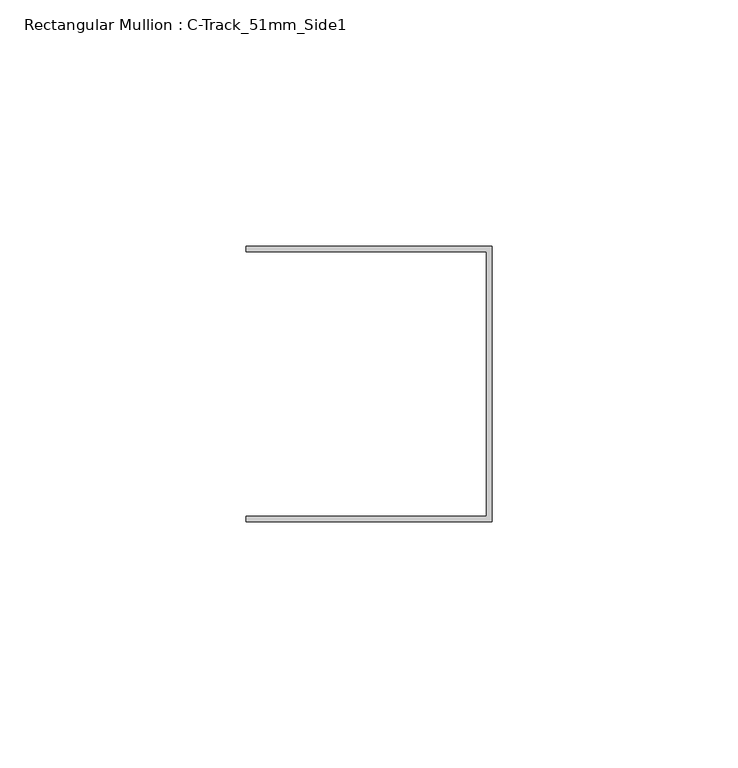
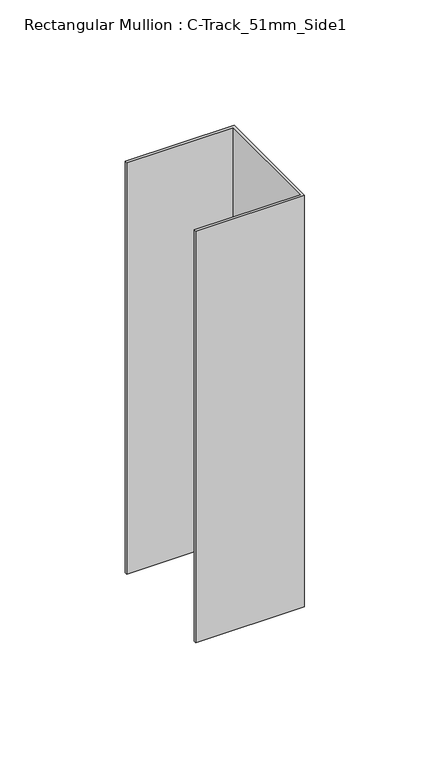
"""IFC4 building model written with IfcOpenShell, lengths in millimetres: member geometry, Rectangular Mullion : C-Track_51mm_Side1."""

from ifc_helpers import new_model, si_unit, frame, origin, place, context, project, spatial, polyline, outline, extrude, source, transform, mapped, element, save


def rectangular_mullion_c_track_51mm_side1_35a0979f(model_context):
    return source(origin(), model_context, "Body", "SweptSolid", [
        extrude(outline(polyline([(-1.15, 26.85), (-50.0, 26.85), (-50.0, 28.0), (0.0, 28.0), (0.0, -28.0), (-50.0, -28.0), (-50.0, -26.85), (-1.15, -26.85), (-1.15, 26.85)])), frame((0.0, 0.0, -200.0), z_axis=(0.0, 0.0, 1.0), x_axis=(1.0, 0.0, 0.0)), (0.0, 0.0, 1.0), 200.0),
    ])


if __name__ == "__main__":
    model = new_model("IFC4")
    model_context = context("Model", 3, world=origin())
    ifc_project = project(units=[si_unit("LENGTHUNIT", "METRE", prefix="MILLI")], contexts=[model_context])
    site = spatial("IfcSite", under=ifc_project)
    building = spatial("IfcBuilding", under=site)
    placement = place(None, origin())
    rectangular_mullion_c_track_51mm_side1_shape = rectangular_mullion_c_track_51mm_side1_35a0979f(model_context)
    element("IfcMember", 1, ObjectType="Rectangular Mullion : C-Track_51mm_Side1", at=placement, inside=building, context=model_context, shape_type="MappedRepresentation", body=[
        mapped(rectangular_mullion_c_track_51mm_side1_shape, transform((0.0, 0.0, 0.0), x_axis=(1.0, 0.0, 0.0), y_axis=(0.0, 1.0, 0.0), z_axis=(0.0, 0.0, 1.0))),
    ])
    save(model, "model.ifc")
